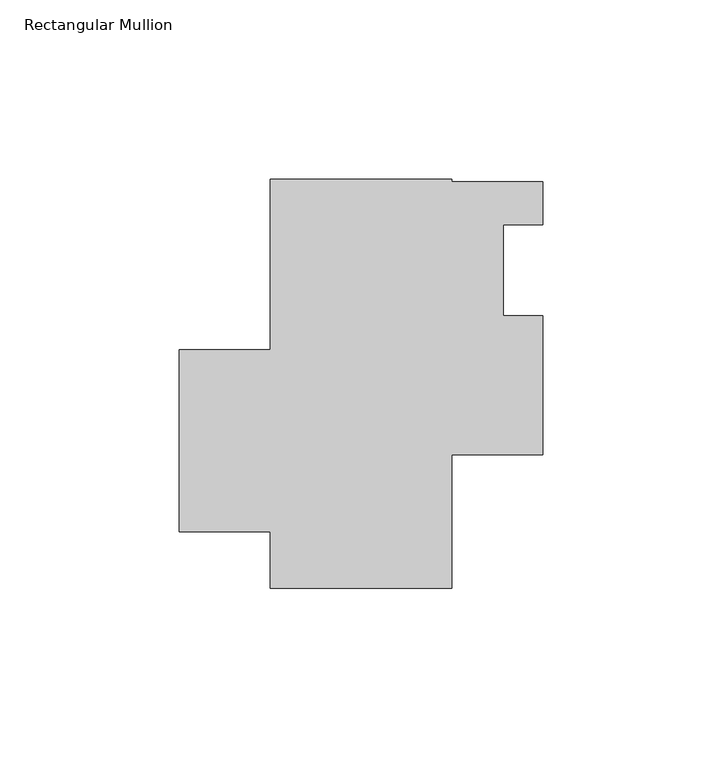
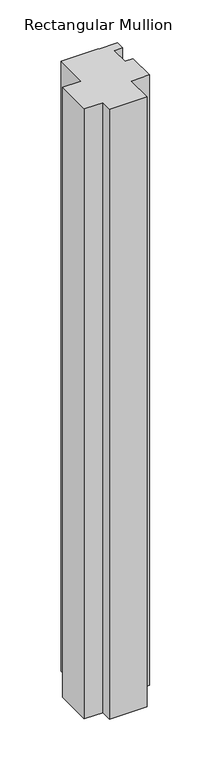
"""IFC4 building model written with IfcOpenShell, lengths in millimetres: member geometry, Rectangular Mullion."""

from ifc_helpers import new_model, si_unit, frame, origin, place, context, project, spatial, polyline, outline, extrude, source, transform, mapped, element, save


def rectangular_mullion_304dcb10(model_context):
    return source(origin(), model_context, "Body", "SweptSolid", [
        extrude(outline(polyline([(25.4, -101.6), (-25.4, -101.6), (-25.4, -85.725), (-50.8, -85.725), (-50.8, -34.925), (-25.4, -34.925), (-25.4, 12.7), (25.4, 12.7), (25.4, 11.90625), (50.8, 11.90625), (50.8, 0.0), (39.6875, 0.0), (39.6875, -25.4), (50.8, -25.4), (50.8, -64.29375), (25.4, -64.29375), (25.4, -101.6)])), frame((0.0, 0.0, -876.3), z_axis=(0.0, 0.0, 1.0), x_axis=(1.0, 0.0, 0.0)), (0.0, 0.0, 1.0), 876.3),
    ])


if __name__ == "__main__":
    model = new_model("IFC4")
    model_context = context("Model", 3, world=origin())
    ifc_project = project(units=[si_unit("LENGTHUNIT", "METRE", prefix="MILLI")], contexts=[model_context])
    site = spatial("IfcSite", under=ifc_project)
    building = spatial("IfcBuilding", under=site)
    placement = place(None, origin())
    rectangular_mullion_shape = rectangular_mullion_304dcb10(model_context)
    element("IfcMember", 1, ObjectType="Rectangular Mullion", at=placement, inside=building, context=model_context, shape_type="MappedRepresentation", body=[
        mapped(rectangular_mullion_shape, transform((0.0, 0.0, 0.0), x_axis=(1.0, 0.0, 0.0), y_axis=(0.0, 1.0, 0.0), z_axis=(0.0, 0.0, 1.0))),
    ])
    save(model, "model.ifc")
